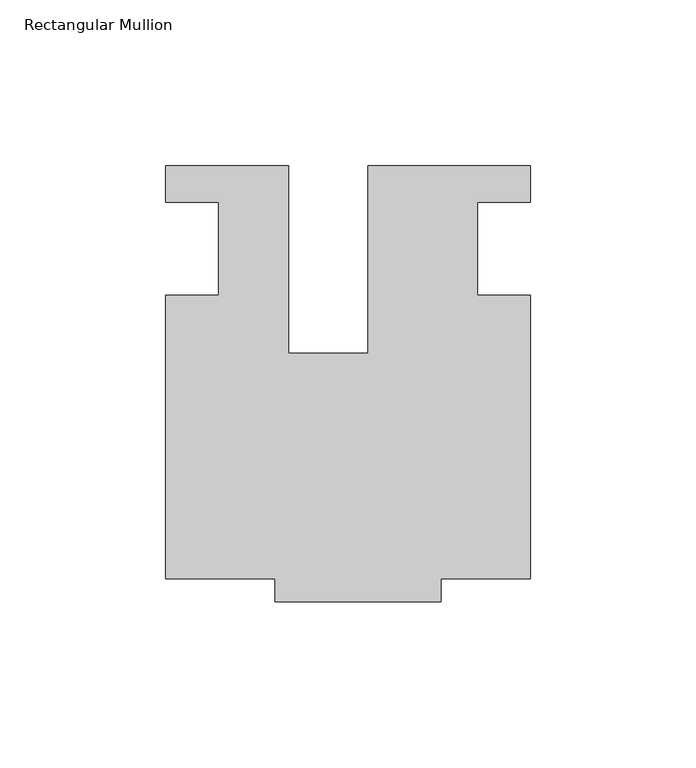
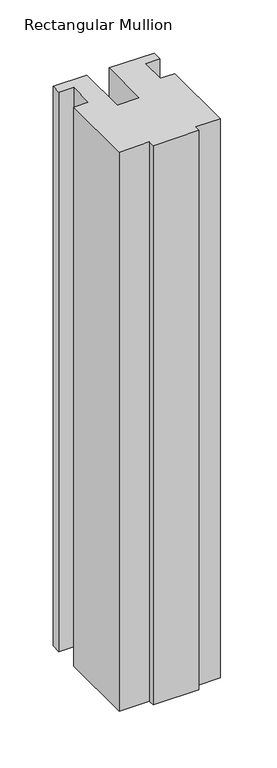
"""IFC4 building model written with IfcOpenShell, lengths in millimetres: member geometry, Rectangular Mullion."""

import ifcopenshell
import ifcopenshell.guid

model = None  # the IFC model being written
_history = None  # IfcOwnerHistory: only IFC2X3 demands one
_inside = {}  # id of a spatial element -> (the spatial element, [elements in it])
_under = {}  # id of a project, library or spatial element -> (it, [spatial elements below it])
_declared = {}  # id of a project -> (the project, [libraries it declares])
_typed = {}  # id of a type object -> (the type object, [elements of that type])
_made_of = {}  # id of a material, layer set ... -> (it, [elements and type objects made of it])


def new_model(schema):
    """Start an empty IFC model of exactly this schema.

    Asked for "IFC4X3", IfcOpenShell would pick the latest addendum, in which some entities
    have other attributes; the version numbers below select the first issue.
    IFC2X3 requires an IfcOwnerHistory on every rooted entity: one is made here for all.
    """
    global model, _history
    if schema == "IFC4X3":
        model = ifcopenshell.file(schema_version=(4, 3, 0, 0))
    else:
        model = ifcopenshell.file(schema=schema)
    _inside.clear()
    _under.clear()
    _declared.clear()
    _typed.clear()
    _made_of.clear()
    _history = None
    if model.schema == "IFC2X3":
        org = make("IfcOrganization", Name="unknown")
        user = make(
            "IfcPersonAndOrganization",
            ThePerson=make("IfcPerson", FamilyName="unknown"),
            TheOrganization=org,
        )
        app = make(
            "IfcApplication",
            ApplicationDeveloper=org,
            Version="unknown",
            ApplicationFullName="unknown",
            ApplicationIdentifier="unknown",
        )
        _history = make(
            "IfcOwnerHistory",
            OwningUser=user,
            OwningApplication=app,
            ChangeAction="ADDED",
            CreationDate=0,
        )
    return model


def make(cls, **values):
    """One entity of the class cls with the attributes given. An attribute that is None is left unset."""
    return model.create_entity(
        cls, **{name: value for name, value in values.items() if value is not None}
    )


def rooted(cls, **values):
    """An entity with a GlobalId (a new one), such as an element, a storey or a relation."""
    return make(cls, GlobalId=ifcopenshell.guid.new(), OwnerHistory=_history, **values)


def si_unit(unit_type, name, prefix=None):
    """IfcSIUnit, for example si_unit("LENGTHUNIT", "METRE", prefix="MILLI")."""
    return make("IfcSIUnit", UnitType=unit_type, Prefix=prefix, Name=name)


def assignment(units):
    """IfcUnitAssignment: the units of a project."""
    return None if units is None else make("IfcUnitAssignment", Units=units)


def point(xyz):
    """IfcCartesianPoint."""
    return None if xyz is None else make("IfcCartesianPoint", Coordinates=xyz)


def direction(xyz):
    """IfcDirection."""
    return None if xyz is None else make("IfcDirection", DirectionRatios=xyz)


def frame(location, z_axis=None, x_axis=None):
    """IfcAxis2Placement3D, a coordinate frame: its origin and axes. An axis left out is left unset."""
    return make(
        "IfcAxis2Placement3D",
        Location=point(location),
        Axis=direction(z_axis),
        RefDirection=direction(x_axis),
    )


def origin():
    """The frame at (0, 0, 0) with its axes left unset."""
    return frame((0.0, 0.0, 0.0))


def place(relative_to, where):
    """IfcLocalPlacement: puts the frame where relative to a parent placement (None: the world)."""
    return make(
        "IfcLocalPlacement", PlacementRelTo=relative_to, RelativePlacement=where
    )


def context(
    kind, dimensions, precision=None, world=None, true_north=None, identifier=None
):
    """IfcGeometricRepresentationContext, for example the 3D "Model" context."""
    return make(
        "IfcGeometricRepresentationContext",
        ContextIdentifier=identifier,
        ContextType=kind,
        CoordinateSpaceDimension=dimensions,
        Precision=precision,
        WorldCoordinateSystem=world,
        TrueNorth=true_north,
    )


def project(units=None, contexts=None):
    """IfcProject with its units and contexts."""
    return rooted(
        "IfcProject",
        Name="project",
        RepresentationContexts=contexts,
        UnitsInContext=assignment(units),
    )


def spatial(cls, under=None, at=None, **own):
    """A site, building, storey or space (cls), placed at a placement, below another one or the project."""
    s = rooted(cls, ObjectPlacement=at, **own)
    if under is not None:
        _under.setdefault(under.id(), (under, []))[1].append(s)
    return s


def polyline(points):
    """IfcPolyline through the points."""
    return make("IfcPolyline", Points=[point(p) for p in points])


def outline(outer, holes=None, kind="AREA"):
    """IfcArbitraryClosedProfileDef: a profile drawn as a closed curve; with holes, ...WithVoids."""
    if holes is None:
        return make("IfcArbitraryClosedProfileDef", ProfileType=kind, OuterCurve=outer)
    return make(
        "IfcArbitraryProfileDefWithVoids",
        ProfileType=kind,
        OuterCurve=outer,
        InnerCurves=holes,
    )


def extrude(swept, where, along, depth):
    """IfcExtrudedAreaSolid: the profile swept, set in the frame where, extruded along a direction by depth."""
    return make(
        "IfcExtrudedAreaSolid",
        SweptArea=swept,
        Position=where,
        ExtrudedDirection=direction(along),
        Depth=depth,
    )


def shape(context_of_items, identifier, shape_type, items):
    """IfcShapeRepresentation: the items that make up one representation, for example the "Body"."""
    return make(
        "IfcShapeRepresentation",
        ContextOfItems=context_of_items,
        RepresentationIdentifier=identifier,
        RepresentationType=shape_type,
        Items=items,
    )


def source(mapping_origin, context_of_items, identifier, shape_type, items):
    """IfcRepresentationMap: a shape defined once, which mapped items show again and again."""
    return make(
        "IfcRepresentationMap",
        MappingOrigin=mapping_origin,
        MappedRepresentation=shape(context_of_items, identifier, shape_type, items),
    )


def transform(
    local_origin,
    x_axis=None,
    y_axis=None,
    z_axis=None,
    scale=None,
    scale2=None,
    scale3=None,
    uniform=True,
):
    """IfcCartesianTransformationOperator3D, or its non-uniform kind. x_axis, y_axis, z_axis: its Axis1, 2, 3."""
    if uniform:
        return make(
            "IfcCartesianTransformationOperator3D",
            Axis1=direction(x_axis),
            Axis2=direction(y_axis),
            LocalOrigin=point(local_origin),
            Scale=scale,
            Axis3=direction(z_axis),
        )
    return make(
        "IfcCartesianTransformationOperator3DnonUniform",
        Axis1=direction(x_axis),
        Axis2=direction(y_axis),
        LocalOrigin=point(local_origin),
        Scale=scale,
        Axis3=direction(z_axis),
        Scale2=scale2,
        Scale3=scale3,
    )


def mapped(mapping_source, mapping_target):
    """IfcMappedItem: shows the shape of a source again, moved by a transform."""
    return make(
        "IfcMappedItem", MappingSource=mapping_source, MappingTarget=mapping_target
    )


def made_of(thing, what):
    """Note that an element or type object is made of a material, layer set ...; save() writes the relation."""
    if what is not None:
        _made_of.setdefault(what.id(), (what, []))[1].append(thing)
    return thing


def element(
    cls,
    number,
    at=None,
    inside=None,
    cuts=None,
    type_object=None,
    material=None,
    context=None,
    identifier="Body",
    shape_type=None,
    held_by="IfcProductDefinitionShape",
    body=None,
    shapes=None,
    **own,
):
    """One element of the class cls, such as IfcWall. Its Tag is "e" and its number.

    at: its placement. inside: the storey or other place that contains it. cuts: it is an
    opening in that element (IfcRelVoidsElement). A single representation is given by context,
    identifier, shape_type and body (its items); several are given by shapes. held_by: the class
    of the entity that holds the representations. save() writes the other relations.
    """
    e = rooted(cls, Tag="e%d" % number, ObjectPlacement=at, **own)
    if body is not None:
        shapes = [shape(context, identifier, shape_type, body)]
    if shapes is not None:
        e.Representation = make(held_by, Representations=shapes)
    if inside is not None:
        _inside.setdefault(inside.id(), (inside, []))[1].append(e)
    if cuts is not None:
        rooted(
            "IfcRelVoidsElement", RelatingBuildingElement=cuts, RelatedOpeningElement=e
        )
    if type_object is not None:
        _typed.setdefault(type_object.id(), (type_object, []))[1].append(e)
    return made_of(e, material)


def aggregate(whole, parts):
    """IfcRelAggregates: a whole, such as a stair, and the parts it consists of."""
    return rooted("IfcRelAggregates", RelatingObject=whole, RelatedObjects=parts)


def save(model, path):
    """Write the relations noted so far, then the file.

    IfcRelAggregates (storeys below a building ...), IfcRelContainedInSpatialStructure (elements
    in a storey), IfcRelDefinesByType, IfcRelAssociatesMaterial and IfcRelDeclares: one each for
    every whole, place, type object, material and project.
    """
    for whole, parts in _under.values():
        aggregate(whole, parts)
    for where, things in _inside.values():
        rooted(
            "IfcRelContainedInSpatialStructure",
            RelatedElements=things,
            RelatingStructure=where,
        )
    for kind, things in _typed.values():
        rooted("IfcRelDefinesByType", RelatedObjects=things, RelatingType=kind)
    for what, things in _made_of.values():
        rooted("IfcRelAssociatesMaterial", RelatedObjects=things, RelatingMaterial=what)
    for by, libraries in _declared.values():
        rooted("IfcRelDeclares", RelatingContext=by, RelatedDefinitions=libraries)
    model.write(path)


def rectangular_mullion_ac1b5ea1(model_context):
    return source(origin(), model_context, "Body", "SweptSolid", [
        extrude(outline(polyline([(-24.0309529, 25.0), (-24.0309529, -31.6008577), (0.0, -31.6008577), (0.0, 25.0), (49.0, 25.0), (49.0, 14.0), (32.9971154, 14.0), (32.9971154, -14.0), (49.0, -14.0), (49.0, -99.5), (22.0028846, -99.5), (22.0028846, -106.5), (-27.9971154, -106.5), (-27.9971154, -99.4999439), (-60.9971154, -99.4999439), (-60.9971154, -14.0), (-44.9971154, -14.0), (-44.9971154, 14.0), (-61.0409135, 14.0), (-61.0409135, 25.0), (-24.0309529, 25.0)])), frame((0.0, 0.0, -643.909828), z_axis=(0.0, 0.0, 1.0), x_axis=(1.0, 0.0, 0.0)), (0.0, 0.0, 1.0), 643.909828),
    ])


if __name__ == "__main__":
    model = new_model("IFC4")
    model_context = context("Model", 3, world=origin())
    ifc_project = project(units=[si_unit("LENGTHUNIT", "METRE", prefix="MILLI")], contexts=[model_context])
    site = spatial("IfcSite", under=ifc_project)
    building = spatial("IfcBuilding", under=site)
    placement = place(None, origin())
    rectangular_mullion_shape = rectangular_mullion_ac1b5ea1(model_context)
    element("IfcMember", 1, ObjectType="Rectangular Mullion", at=placement, inside=building, context=model_context, shape_type="MappedRepresentation", body=[
        mapped(rectangular_mullion_shape, transform((0.0, 0.0, 0.0), x_axis=(1.0, 0.0, 0.0), y_axis=(0.0, 1.0, 0.0), z_axis=(0.0, 0.0, 1.0))),
    ])
    save(model, "model.ifc")
